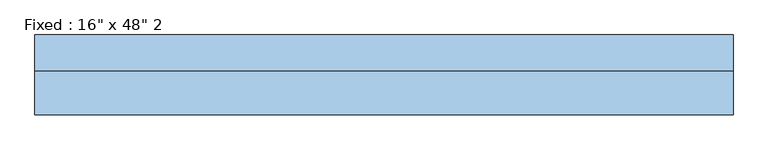
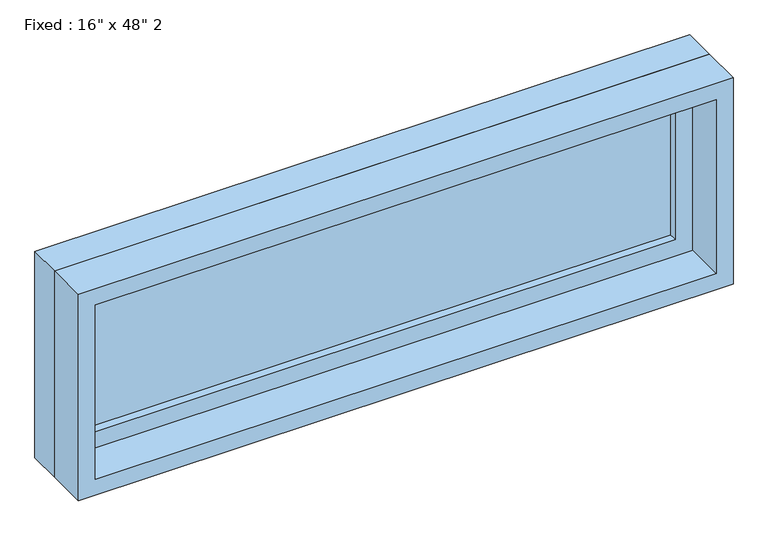
"""IFC4 building model written with IfcOpenShell, lengths in millimetres: window geometry."""

from ifc_helpers import new_model, si_unit, frame, origin, place, context, project, spatial, polyline, outline, extrude, source, transform, mapped, element, save


def window_4b907b88(model_context):
    return source(origin(), model_context, "Body", "SweptSolid", [
        extrude(outline(polyline([(508.0, 22.225), (-584.2, 22.225), (-584.2, 34.925), (508.0, 34.925), (508.0, 22.225)])), frame((0.0, 0.0, 977.9), z_axis=(0.0, 0.0, 1.0), x_axis=(1.0, 0.0, 0.0)), (0.0, 0.0, 1.0), 279.4),
        extrude(outline(polyline([(1301.75, -628.65), (933.45, -628.65), (933.45, 552.45), (1301.75, 552.45), (1301.75, -628.65)]), holes=[polyline([(1257.3, -584.2), (1257.3, 508.0), (977.9, 508.0), (977.9, -584.2), (1257.3, -584.2)])]), frame((0.0, 6.35, 0.0), z_axis=(0.0, 1.0, 0.0), x_axis=(0.0, 0.0, 1.0)), (0.0, 0.0, 1.0), 44.45),
        extrude(outline(polyline([(1320.8, -647.7), (914.4, -647.7), (914.4, 571.5), (1320.8, 571.5), (1320.8, -647.7)]), holes=[polyline([(1289.05, -615.95), (1289.05, 539.75), (946.15, 539.75), (946.15, -615.95), (1289.05, -615.95)])]), frame((0.0, -69.85, 0.0), z_axis=(0.0, 1.0, 0.0), x_axis=(0.0, 0.0, 1.0)), (0.0, 0.0, 1.0), 76.2),
        extrude(outline(polyline([(1320.8, 571.5), (1320.8, -647.7), (914.4, -647.7), (914.4, 571.5), (1320.8, 571.5)]), holes=[polyline([(1301.75, 552.45), (933.45, 552.45), (933.45, -628.65), (1301.75, -628.65), (1301.75, 552.45)])]), frame((0.0, 6.35, 0.0), z_axis=(0.0, 1.0, 0.0), x_axis=(0.0, 0.0, 1.0)), (0.0, 0.0, 1.0), 63.5),
    ])


if __name__ == "__main__":
    model = new_model("IFC4")
    model_context = context("Model", 3, world=origin())
    ifc_project = project(units=[si_unit("LENGTHUNIT", "METRE", prefix="MILLI")], contexts=[model_context])
    site = spatial("IfcSite", under=ifc_project)
    building = spatial("IfcBuilding", under=site)
    placement = place(None, origin())
    window_shape = window_4b907b88(model_context)
    element("IfcWindow", 1, ObjectType="Fixed : 16\" x 48\" 2", at=placement, inside=building, context=model_context, shape_type="MappedRepresentation", body=[
        mapped(window_shape, transform((0.0, 0.0, 0.0), x_axis=(1.0, 0.0, 0.0), y_axis=(0.0, 1.0, 0.0), z_axis=(0.0, 0.0, 1.0))),
    ])
    save(model, "model.ifc")
